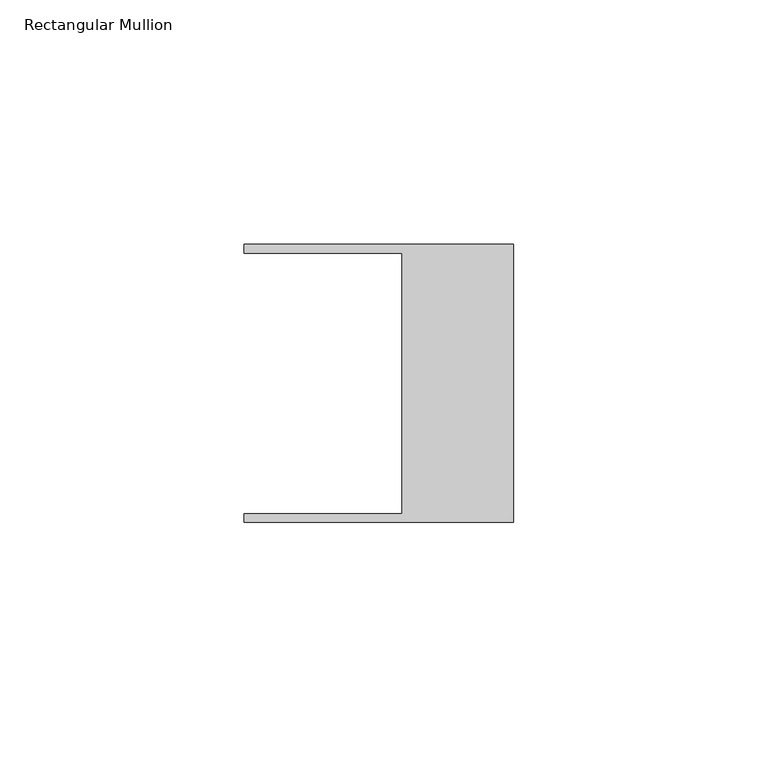
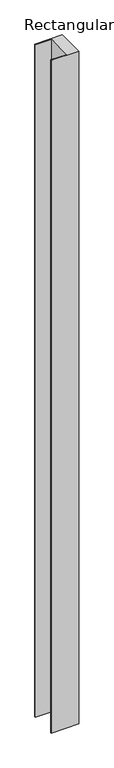
"""IFC4 building model written with IfcOpenShell, lengths in millimetres: member geometry, Rectangular Mullion."""

from ifc_helpers import new_model, si_unit, frame, origin, place, context, project, spatial, polyline, outline, extrude, source, transform, mapped, element, save


def rectangular_mullion_b6767f7e(model_context):
    return source(origin(), model_context, "Body", "SweptSolid", [
        extrude(outline(polyline([(-55.118, 26.67), (-55.118, 28.448), (0.0, 28.448), (0.0, -28.448), (-55.118, -28.448), (-55.118, -26.67), (-22.86, -26.67), (-22.86, 26.67), (-55.118, 26.67)])), frame((0.0, 0.0, -1422.4), z_axis=(0.0, 0.0, 1.0), x_axis=(1.0, 0.0, 0.0)), (0.0, 0.0, 1.0), 1422.4),
    ])


if __name__ == "__main__":
    model = new_model("IFC4")
    model_context = context("Model", 3, world=origin())
    ifc_project = project(units=[si_unit("LENGTHUNIT", "METRE", prefix="MILLI")], contexts=[model_context])
    site = spatial("IfcSite", under=ifc_project)
    building = spatial("IfcBuilding", under=site)
    placement = place(None, origin())
    rectangular_mullion_shape = rectangular_mullion_b6767f7e(model_context)
    element("IfcMember", 1, ObjectType="Rectangular Mullion", at=placement, inside=building, context=model_context, shape_type="MappedRepresentation", body=[
        mapped(rectangular_mullion_shape, transform((0.0, 0.0, 0.0), x_axis=(1.0, 0.0, 0.0), y_axis=(0.0, 1.0, 0.0), z_axis=(0.0, 0.0, 1.0))),
    ])
    save(model, "model.ifc")
